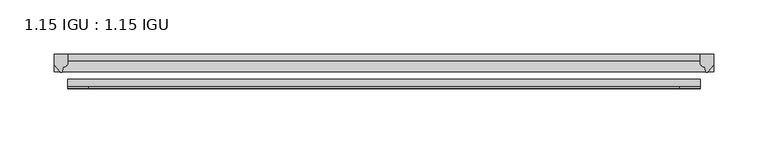
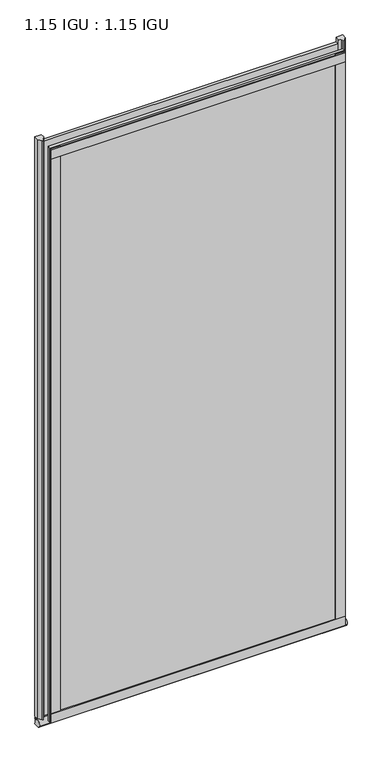
"""IFC4 building model written with IfcOpenShell, lengths in millimetres: plate geometry, 1.15 IGU : 1.15 IGU."""

import ifcopenshell
import ifcopenshell.guid

model = None  # the IFC model being written
_history = None  # IfcOwnerHistory: only IFC2X3 demands one
_inside = {}  # id of a spatial element -> (the spatial element, [elements in it])
_under = {}  # id of a project, library or spatial element -> (it, [spatial elements below it])
_declared = {}  # id of a project -> (the project, [libraries it declares])
_typed = {}  # id of a type object -> (the type object, [elements of that type])
_made_of = {}  # id of a material, layer set ... -> (it, [elements and type objects made of it])


def new_model(schema):
    """Start an empty IFC model of exactly this schema.

    Asked for "IFC4X3", IfcOpenShell would pick the latest addendum, in which some entities
    have other attributes; the version numbers below select the first issue.
    IFC2X3 requires an IfcOwnerHistory on every rooted entity: one is made here for all.
    """
    global model, _history
    if schema == "IFC4X3":
        model = ifcopenshell.file(schema_version=(4, 3, 0, 0))
    else:
        model = ifcopenshell.file(schema=schema)
    _inside.clear()
    _under.clear()
    _declared.clear()
    _typed.clear()
    _made_of.clear()
    _history = None
    if model.schema == "IFC2X3":
        org = make("IfcOrganization", Name="unknown")
        user = make(
            "IfcPersonAndOrganization",
            ThePerson=make("IfcPerson", FamilyName="unknown"),
            TheOrganization=org,
        )
        app = make(
            "IfcApplication",
            ApplicationDeveloper=org,
            Version="unknown",
            ApplicationFullName="unknown",
            ApplicationIdentifier="unknown",
        )
        _history = make(
            "IfcOwnerHistory",
            OwningUser=user,
            OwningApplication=app,
            ChangeAction="ADDED",
            CreationDate=0,
        )
    return model


def make(cls, **values):
    """One entity of the class cls with the attributes given. An attribute that is None is left unset."""
    return model.create_entity(
        cls, **{name: value for name, value in values.items() if value is not None}
    )


def rooted(cls, **values):
    """An entity with a GlobalId (a new one), such as an element, a storey or a relation."""
    return make(cls, GlobalId=ifcopenshell.guid.new(), OwnerHistory=_history, **values)


def si_unit(unit_type, name, prefix=None):
    """IfcSIUnit, for example si_unit("LENGTHUNIT", "METRE", prefix="MILLI")."""
    return make("IfcSIUnit", UnitType=unit_type, Prefix=prefix, Name=name)


def assignment(units):
    """IfcUnitAssignment: the units of a project."""
    return None if units is None else make("IfcUnitAssignment", Units=units)


def point(xyz):
    """IfcCartesianPoint."""
    return None if xyz is None else make("IfcCartesianPoint", Coordinates=xyz)


def direction(xyz):
    """IfcDirection."""
    return None if xyz is None else make("IfcDirection", DirectionRatios=xyz)


def frame(location, z_axis=None, x_axis=None):
    """IfcAxis2Placement3D, a coordinate frame: its origin and axes. An axis left out is left unset."""
    return make(
        "IfcAxis2Placement3D",
        Location=point(location),
        Axis=direction(z_axis),
        RefDirection=direction(x_axis),
    )


def frame_2d(location, x_axis=None):
    """IfcAxis2Placement2D, a coordinate frame in the plane: its origin and x axis."""
    return make(
        "IfcAxis2Placement2D", Location=point(location), RefDirection=direction(x_axis)
    )


def origin():
    """The frame at (0, 0, 0) with its axes left unset."""
    return frame((0.0, 0.0, 0.0))


def place(relative_to, where):
    """IfcLocalPlacement: puts the frame where relative to a parent placement (None: the world)."""
    return make(
        "IfcLocalPlacement", PlacementRelTo=relative_to, RelativePlacement=where
    )


def context(
    kind, dimensions, precision=None, world=None, true_north=None, identifier=None
):
    """IfcGeometricRepresentationContext, for example the 3D "Model" context."""
    return make(
        "IfcGeometricRepresentationContext",
        ContextIdentifier=identifier,
        ContextType=kind,
        CoordinateSpaceDimension=dimensions,
        Precision=precision,
        WorldCoordinateSystem=world,
        TrueNorth=true_north,
    )


def project(units=None, contexts=None):
    """IfcProject with its units and contexts."""
    return rooted(
        "IfcProject",
        Name="project",
        RepresentationContexts=contexts,
        UnitsInContext=assignment(units),
    )


def spatial(cls, under=None, at=None, **own):
    """A site, building, storey or space (cls), placed at a placement, below another one or the project."""
    s = rooted(cls, ObjectPlacement=at, **own)
    if under is not None:
        _under.setdefault(under.id(), (under, []))[1].append(s)
    return s


def polyline(points):
    """IfcPolyline through the points."""
    return make("IfcPolyline", Points=[point(p) for p in points])


def circle_curve(where, radius):
    """IfcCircle in the frame where."""
    return make("IfcCircle", Position=where, Radius=radius)


def ellipse_curve(where, semi_axis1, semi_axis2):
    """IfcEllipse in the frame where."""
    return make(
        "IfcEllipse", Position=where, SemiAxis1=semi_axis1, SemiAxis2=semi_axis2
    )


def trimmed(basis, trim1, trim2, sense, master):
    """IfcTrimmedCurve: the piece of a basis curve between two trims."""
    return make(
        "IfcTrimmedCurve",
        BasisCurve=basis,
        Trim1=trim1,
        Trim2=trim2,
        SenseAgreement=sense,
        MasterRepresentation=master,
    )


def segment(curve, same_sense, transition):
    """IfcCompositeCurveSegment."""
    return make(
        "IfcCompositeCurveSegment",
        Transition=transition,
        SameSense=same_sense,
        ParentCurve=curve,
    )


def composite_curve(segments, self_intersect=None):
    """IfcCompositeCurve: segments joined end to end."""
    return make("IfcCompositeCurve", Segments=segments, SelfIntersect=self_intersect)


def outline(outer, holes=None, kind="AREA"):
    """IfcArbitraryClosedProfileDef: a profile drawn as a closed curve; with holes, ...WithVoids."""
    if holes is None:
        return make("IfcArbitraryClosedProfileDef", ProfileType=kind, OuterCurve=outer)
    return make(
        "IfcArbitraryProfileDefWithVoids",
        ProfileType=kind,
        OuterCurve=outer,
        InnerCurves=holes,
    )


def extrude(swept, where, along, depth):
    """IfcExtrudedAreaSolid: the profile swept, set in the frame where, extruded along a direction by depth."""
    return make(
        "IfcExtrudedAreaSolid",
        SweptArea=swept,
        Position=where,
        ExtrudedDirection=direction(along),
        Depth=depth,
    )


def shape(context_of_items, identifier, shape_type, items):
    """IfcShapeRepresentation: the items that make up one representation, for example the "Body"."""
    return make(
        "IfcShapeRepresentation",
        ContextOfItems=context_of_items,
        RepresentationIdentifier=identifier,
        RepresentationType=shape_type,
        Items=items,
    )


def source(mapping_origin, context_of_items, identifier, shape_type, items):
    """IfcRepresentationMap: a shape defined once, which mapped items show again and again."""
    return make(
        "IfcRepresentationMap",
        MappingOrigin=mapping_origin,
        MappedRepresentation=shape(context_of_items, identifier, shape_type, items),
    )


def transform(
    local_origin,
    x_axis=None,
    y_axis=None,
    z_axis=None,
    scale=None,
    scale2=None,
    scale3=None,
    uniform=True,
):
    """IfcCartesianTransformationOperator3D, or its non-uniform kind. x_axis, y_axis, z_axis: its Axis1, 2, 3."""
    if uniform:
        return make(
            "IfcCartesianTransformationOperator3D",
            Axis1=direction(x_axis),
            Axis2=direction(y_axis),
            LocalOrigin=point(local_origin),
            Scale=scale,
            Axis3=direction(z_axis),
        )
    return make(
        "IfcCartesianTransformationOperator3DnonUniform",
        Axis1=direction(x_axis),
        Axis2=direction(y_axis),
        LocalOrigin=point(local_origin),
        Scale=scale,
        Axis3=direction(z_axis),
        Scale2=scale2,
        Scale3=scale3,
    )


def mapped(mapping_source, mapping_target):
    """IfcMappedItem: shows the shape of a source again, moved by a transform."""
    return make(
        "IfcMappedItem", MappingSource=mapping_source, MappingTarget=mapping_target
    )


def made_of(thing, what):
    """Note that an element or type object is made of a material, layer set ...; save() writes the relation."""
    if what is not None:
        _made_of.setdefault(what.id(), (what, []))[1].append(thing)
    return thing


def element(
    cls,
    number,
    at=None,
    inside=None,
    cuts=None,
    type_object=None,
    material=None,
    context=None,
    identifier="Body",
    shape_type=None,
    held_by="IfcProductDefinitionShape",
    body=None,
    shapes=None,
    **own,
):
    """One element of the class cls, such as IfcWall. Its Tag is "e" and its number.

    at: its placement. inside: the storey or other place that contains it. cuts: it is an
    opening in that element (IfcRelVoidsElement). A single representation is given by context,
    identifier, shape_type and body (its items); several are given by shapes. held_by: the class
    of the entity that holds the representations. save() writes the other relations.
    """
    e = rooted(cls, Tag="e%d" % number, ObjectPlacement=at, **own)
    if body is not None:
        shapes = [shape(context, identifier, shape_type, body)]
    if shapes is not None:
        e.Representation = make(held_by, Representations=shapes)
    if inside is not None:
        _inside.setdefault(inside.id(), (inside, []))[1].append(e)
    if cuts is not None:
        rooted(
            "IfcRelVoidsElement", RelatingBuildingElement=cuts, RelatedOpeningElement=e
        )
    if type_object is not None:
        _typed.setdefault(type_object.id(), (type_object, []))[1].append(e)
    return made_of(e, material)


def aggregate(whole, parts):
    """IfcRelAggregates: a whole, such as a stair, and the parts it consists of."""
    return rooted("IfcRelAggregates", RelatingObject=whole, RelatedObjects=parts)


def save(model, path):
    """Write the relations noted so far, then the file.

    IfcRelAggregates (storeys below a building ...), IfcRelContainedInSpatialStructure (elements
    in a storey), IfcRelDefinesByType, IfcRelAssociatesMaterial and IfcRelDeclares: one each for
    every whole, place, type object, material and project.
    """
    for whole, parts in _under.values():
        aggregate(whole, parts)
    for where, things in _inside.values():
        rooted(
            "IfcRelContainedInSpatialStructure",
            RelatedElements=things,
            RelatingStructure=where,
        )
    for kind, things in _typed.values():
        rooted("IfcRelDefinesByType", RelatedObjects=things, RelatingType=kind)
    for what, things in _made_of.values():
        rooted("IfcRelAssociatesMaterial", RelatedObjects=things, RelatingMaterial=what)
    for by, libraries in _declared.values():
        rooted("IfcRelDeclares", RelatingContext=by, RelatedDefinitions=libraries)
    model.write(path)


def plane_surface(at):
    """IfcPlane: the flat surface through the origin of the frame at, square to its z axis."""
    return make("IfcPlane", Position=at)


def revolved_surface(curve, axis_point, axis_direction):
    """IfcSurfaceOfRevolution: the curve turned about the line through axis_point along axis_direction."""
    return make(
        "IfcSurfaceOfRevolution",
        SweptCurve=make("IfcArbitraryOpenProfileDef", ProfileType="CURVE", Curve=curve),
        AxisPosition=make("IfcAxis1Placement", Location=point(axis_point), Axis=direction(axis_direction)),
    )


def extruded_surface(curve, direction_of_extrusion, depth):
    """IfcSurfaceOfLinearExtrusion: the curve pushed along a direction by depth."""
    return make(
        "IfcSurfaceOfLinearExtrusion",
        SweptCurve=make("IfcArbitraryOpenProfileDef", ProfileType="CURVE", Curve=curve),
        ExtrudedDirection=direction(direction_of_extrusion),
        Depth=depth,
    )


def advanced_brep(points, edges, surfaces, faces):
    """IfcAdvancedBrep: a solid bounded by faces that lie on surfaces and meet in shared edges.

    An edge is (start, end): straight between two places in points (the first is 0);
    or (start, end, curve); or (start, end, curve, False) where it runs against its curve.
    A face is (place in surfaces, loops), or (place, loops, False) where it looks against
    its surface's normal. A loop lists edges by number (the first is 1), with a minus sign
    where the edge is run from its end to its start. The first loop is the outer one.
    """
    corners = [point(p) for p in points]
    vertices = [make("IfcVertexPoint", VertexGeometry=c) for c in corners]
    made = []
    for start, end, *more in edges:
        made.append(
            make(
                "IfcEdgeCurve",
                EdgeStart=vertices[start],
                EdgeEnd=vertices[end],
                EdgeGeometry=more[0] if more else make("IfcPolyline", Points=[corners[start], corners[end]]),
                SameSense=more[1] if len(more) > 1 else True,
            )
        )
    hull = []
    for where, loops, *sense in faces:
        bounds = []
        for j, loop in enumerate(loops):
            ring = [make("IfcOrientedEdge", EdgeElement=made[abs(k) - 1], Orientation=k > 0) for k in loop]
            bounds.append(
                make(
                    "IfcFaceOuterBound" if j == 0 else "IfcFaceBound",
                    Bound=make("IfcEdgeLoop", EdgeList=ring),
                    Orientation=True,
                )
            )
        hull.append(make("IfcAdvancedFace", Bounds=bounds, FaceSurface=surfaces[where], SameSense=sense[0] if sense else True))
    return make("IfcAdvancedBrep", Outer=make("IfcClosedShell", CfsFaces=hull))


def plate_1_15_igu_1_15_igu_2576656a(model_context):
    return source(origin(), model_context, "Body", "SolidModel", [
        extrude(outline(polyline([(292.1, 0.0), (292.1, -6.2992), (-292.1, -6.2992), (-292.1, 0.0), (292.1, 0.0)])), frame((0.0, 0.0, -19.05), z_axis=(0.0, 0.0, 1.0), x_axis=(1.0, 0.0, 0.0)), (0.0, 0.0, 1.0), 1203.325),
        extrude(outline(polyline([(-292.1, -23.1648), (292.1, -23.1648), (292.1, -29.464), (-292.1, -29.464), (-292.1, -23.1648)])), frame((0.0, 0.0, -19.05), z_axis=(0.0, 0.0, 1.0), x_axis=(1.0, 0.0, 0.0)), (0.0, 0.0, 1.0), 1203.325),
        advanced_brep(
        [(304.8, -2.9334208, -29.3692082), (304.8, -15.7658436, -30.8313288), (304.8, -6.7904952, -34.925), (304.8, 0.0, -34.925), (304.8, 0.0, -22.225), (304.8, -2.5187477, -22.225), (-304.8, -2.9073519, -29.3720514), (-304.8, -2.5187477, -22.225), (-304.8, 0.0, -22.225), (-304.8, 0.0, -34.925), (-304.8, -6.7904952, -34.925), (-304.8, -15.7658436, -30.8313288)],
        [
            (0, 1, ellipse_curve(frame((304.8, -9.5065066, -28.575), z_axis=(1.0, 0.0, 0.0), x_axis=(0.0, 0.0, -1.0)), 6.9638038, 6.6162554)),
            (1, 2, ellipse_curve(frame((304.8, -9.5065066, -28.575), z_axis=(1.0, 0.0, 0.0), x_axis=(0.0, 0.0, -1.0)), 6.9638038, 6.6162554)),
            (2, 3),
            (3, 4, circle_curve(frame((304.8, 24.1576838, -28.575), z_axis=(-1.0, 0.0, 0.0), x_axis=(0.0, 0.0, 1.0)), 24.9783143)),
            (4, 5),
            (5, 0, circle_curve(frame((304.8, -68.4358767, -22.225), z_axis=(-1.0, 0.0, 0.0), x_axis=(0.0, 0.0, 1.0)), 65.917129)),
            (6, 7, circle_curve(frame((-304.8, -68.4358767, -22.225), z_axis=(1.0, 0.0, 0.0), x_axis=(0.0, 0.0, 1.0)), 65.917129)),
            (7, 8),
            (8, 9, circle_curve(frame((-304.8, 24.1576838, -28.575), z_axis=(1.0, 0.0, 0.0), x_axis=(0.0, 0.0, 1.0)), 24.9783143)),
            (9, 10),
            (10, 11, ellipse_curve(frame((-304.8, -9.5065066, -28.575), z_axis=(-1.0, 0.0, 0.0), x_axis=(0.0, 0.0, -1.0)), 6.9638038, 6.6162554)),
            (11, 6, ellipse_curve(frame((-304.8, -9.5065066, -28.575), z_axis=(-1.0, 0.0, 0.0), x_axis=(0.0, 0.0, -1.0)), 6.9638038, 6.6162554)),
            (0, 6),
            (11, 1),
            (10, 2),
            (9, 3),
            (8, 4),
            (7, 5),
        ],
        [
            plane_surface(frame((304.8, 0.0, -28.575), z_axis=(1.0, 0.0, 0.0), x_axis=(0.0, 1.0, 0.0))),
            plane_surface(frame((-304.8, 0.0, -28.575), z_axis=(-1.0, 0.0, 0.0), x_axis=(0.0, 1.0, 0.0))),
            extruded_surface(trimmed(ellipse_curve(frame((-304.8, -9.5065066, -28.575), z_axis=(1.0, 0.0, 0.0), x_axis=(0.0, 0.0, -1.0)), 6.9638038, 6.6162554), [point((-304.8, -2.9334208, -29.3692082))], [point((-304.8, -15.7658436, -30.8313288))], True, "CARTESIAN"), (609.6, 0.0, 0.0), 609.6),
            extruded_surface(trimmed(ellipse_curve(frame((-304.8, -9.5065066, -28.575), z_axis=(1.0, 0.0, 0.0), x_axis=(0.0, 0.0, -1.0)), 6.9638038, 6.6162554), [point((-304.8, -15.7658436, -30.8313288))], [point((-304.8, -6.7904952, -34.925))], True, "CARTESIAN"), (609.6, 0.0, 0.0), 609.6),
            plane_surface(frame((304.8, -6.7904952, -34.925), z_axis=(0.0, 0.0, -1.0), x_axis=(-1.0, 0.0, 0.0))),
            revolved_surface(polyline([(-304.8, 24.1576838, -3.5966856999999983), (304.8, 24.1576838, -3.5966856999999983)]), (304.8, 24.1576838, -28.575), (-1.0, 0.0, 0.0)),
            plane_surface(frame((304.8, 0.0, -22.225), z_axis=(0.0, 0.0, 1.0), x_axis=(-1.0, 0.0, 0.0))),
            revolved_surface(polyline([(-304.8, -68.4358767, 43.692129), (304.8, -68.4358767, 43.692129)]), (304.8, -68.4358767, -22.225), (-1.0, 0.0, 0.0)),
        ],
        [
            (0, [[1, 2, 3, 4, 5, 6]]),
            (1, [[7, 8, 9, 10, 11, 12]]),
            (2, [[-1, 13, -12, 14]]),
            (3, [[-2, -14, -11, 15]]),
            (4, [[-3, -15, -10, 16]]),
            (5, [[-4, -16, -9, 17]]),
            (6, [[-5, -17, -8, 18]]),
            (7, [[-6, -18, -7, -13]]),
        ],
    ),
        extrude(outline(composite_curve([segment(polyline([(304.8, 0.0), (304.8, -9.7395025), (299.2337691, -16.3730781)]), True, "CONTINUOUS"), segment(trimmed(circle_curve(frame_2d((298.2800941, -15.7728374)), 1.1268473), [point((299.2337691, -16.3730781))], [point((297.1791412, -16.0130197))], False, "CARTESIAN"), True, "CONTINUOUS"), segment(polyline([(297.1791412, -16.0130197), (296.1989498, -11.7377885)]), True, "CONTINUOUS"), segment(trimmed(circle_curve(frame_2d((296.0714979, -7.7683362)), 3.9714979), [point((296.1989498, -11.7377885))], [point((292.1001786, -7.8060014))], False, "CARTESIAN"), True, "CONTINUOUS"), segment(polyline([(292.1001786, -7.8060014), (292.1001786, 0.0), (304.8, 0.0)]), True, "CONTINUOUS")], self_intersect=False)), frame((0.0, 0.0, -19.05), z_axis=(0.0, 0.0, 1.0), x_axis=(1.0, 0.0, 0.0)), (0.0, 0.0, 1.0), 1213.6374),
        extrude(outline(composite_curve([segment(polyline([(-292.1, 8.8e-06), (-292.1, -7.7683362)]), True, "CONTINUOUS"), segment(trimmed(circle_curve(frame_2d((-296.0714979, -7.7683362)), 3.9714979), [point((-292.1, -7.7683362))], [point((-296.1989498, -11.7377885))], False, "CARTESIAN"), True, "CONTINUOUS"), segment(polyline([(-296.1989498, -11.7377885), (-297.1789843, -16.012436)]), True, "CONTINUOUS"), segment(trimmed(circle_curve(frame_2d((-298.2801933, -15.7723555)), 1.1270758), [point((-297.1789843, -16.012436))], [point((-299.2340327, -16.372764))], False, "CARTESIAN"), True, "CONTINUOUS"), segment(polyline([(-299.2340327, -16.372764), (-304.8, -9.7395025), (-304.8, 8.8e-06), (-292.1, 8.8e-06)]), True, "CONTINUOUS")], self_intersect=False)), frame((0.0, 0.0, -19.05), z_axis=(0.0, 0.0, 1.0), x_axis=(1.0, 0.0, 0.0)), (0.0, 0.0, 1.0), 1213.6374),
        extrude(outline(polyline([(-292.1, -31.75), (-292.1, -29.464), (292.1, -29.464), (292.1, -31.75), (-292.1, -31.75)])), frame((0.0, 0.0, -19.05), z_axis=(0.0, 0.0, 1.0), x_axis=(1.0, 0.0, 0.0)), (0.0, 0.0, 1.0), 19.05),
        extrude(outline(polyline([(-292.1, -31.75), (-292.1, -29.464), (292.1, -29.464), (292.1, -31.75), (-292.1, -31.75)])), frame((0.0, 0.0, 1162.05), z_axis=(0.0, 0.0, 1.0), x_axis=(1.0, 0.0, 0.0)), (0.0, 0.0, 1.0), 19.05),
        extrude(outline(polyline([(273.05, -29.464), (292.1, -29.464), (292.1, -31.75), (273.05, -31.75), (273.05, -29.464)])), frame((0.0, 0.0, -19.05), z_axis=(0.0, 0.0, 1.0), x_axis=(1.0, 0.0, 0.0)), (0.0, 0.0, 1.0), 1203.325),
        extrude(outline(polyline([(-292.1, -31.75), (-292.1, -29.464), (-273.05, -29.464), (-273.05, -31.75), (-292.1, -31.75)])), frame((0.0, 0.0, -19.05), z_axis=(0.0, 0.0, 1.0), x_axis=(1.0, 0.0, 0.0)), (0.0, 0.0, 1.0), 1203.325),
    ])


if __name__ == "__main__":
    model = new_model("IFC4")
    model_context = context("Model", 3, world=origin())
    ifc_project = project(units=[si_unit("LENGTHUNIT", "METRE", prefix="MILLI")], contexts=[model_context])
    site = spatial("IfcSite", under=ifc_project)
    building = spatial("IfcBuilding", under=site)
    placement = place(None, origin())
    plate_1_15_igu_1_15_igu_shape = plate_1_15_igu_1_15_igu_2576656a(model_context)
    element("IfcPlate", 1, ObjectType="1.15 IGU : 1.15 IGU", at=placement, inside=building, context=model_context, shape_type="MappedRepresentation", body=[
        mapped(plate_1_15_igu_1_15_igu_shape, transform((0.0, 0.0, 0.0), x_axis=(1.0, 0.0, 0.0), y_axis=(0.0, 1.0, 0.0), z_axis=(0.0, 0.0, 1.0))),
    ])
    save(model, "model.ifc")
